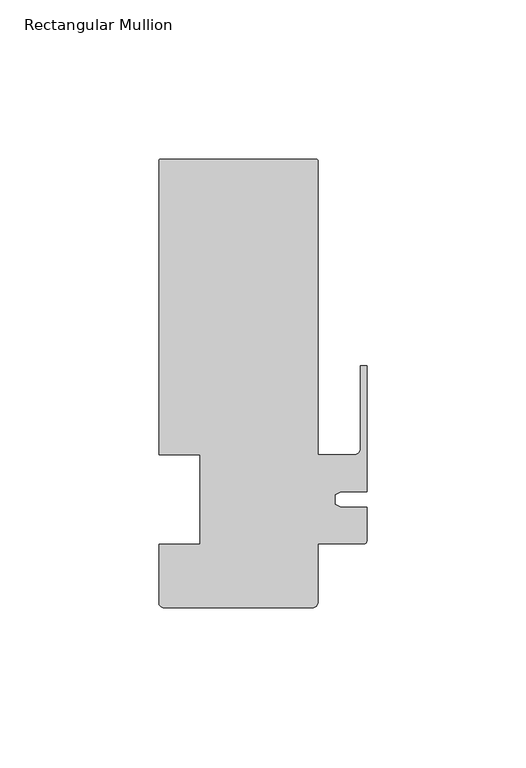
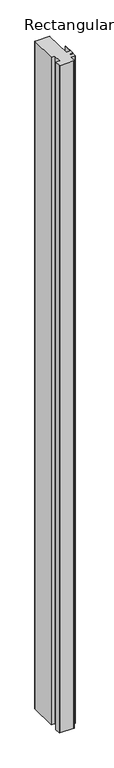
"""IFC4 building model written with IfcOpenShell, lengths in millimetres: member geometry, Rectangular Mullion."""

from ifc_helpers import new_model, si_unit, frame, origin, place, context, project, spatial, polyline, circle_curve, source, transform, mapped, element, save
from ifc_brep_helpers import plane_surface, cylinder_surface, revolved_surface, advanced_brep


def rectangular_mullion_37fddbb4(model_context):
    return source(origin(), model_context, "Body", "AdvancedBrep", [
        advanced_brep(
        [(-64.9119017, 107.000001, 0.0), (-65.4119017, 106.500001, 0.0), (-65.4119017, 14.0, 0.0), (-52.4119017, 14.0, 0.0), (-52.4119017, -14.0, 0.0), (-65.4119018, -14.0, 0.0), (-65.4119018, -32.4268412, 0.0), (-63.838744, -33.999999, 0.0), (-17.0294441, -33.999999, 0.0), (-15.4119017, -32.3824565, 0.0), (-15.4119017, -14.0, 0.0), (-1.0000001, -14.0, 0.0), (0.0, -12.9950012, 0.0), (0.0, -2.3717384, 0.0), (-8.0873177, -2.3717384, 0.0), (-9.9999999, -1.4798401, 0.0), (-9.9999999, 1.5598311, 0.0), (-8.1376447, 2.4282616, 0.0), (0.0, 2.4282616, 0.0), (0.0, 42.000001, 0.0), (-2.0000001, 42.000001, 0.0), (-2.0000001, 16.0000006, 0.0), (-4.0, 14.0000007, 0.0), (-15.4119017, 14.0, 0.0), (-15.4119017, 106.500001, 0.0), (-15.9119017, 107.000001, 0.0), (-64.9119017, 107.000001, -2352.9080722), (-15.9119017, 107.000001, -2352.9080722), (-15.4119017, 106.500001, -2352.9080722), (-15.4119017, 14.0, -2352.9080722), (-3.9999999, 14.0, -2352.9080722), (-2.0000001, 16.0000006, -2352.9080722), (-2.0000001, 42.000001, -2352.9080722), (0.0, 42.000001, -2352.9080722), (0.0, 2.4282616, -2352.9080722), (-8.1376447, 2.4282616, -2352.9080722), (-9.9999999, 1.5598311, -2352.9080722), (-9.9999999, -1.4798401, -2352.9080722), (-8.0873177, -2.3717384, -2352.9080722), (0.0, -2.3717384, -2352.9080722), (0.0, -12.9950012, -2352.9080722), (-1.0000001, -13.9950013, -2352.9080722), (-15.4119017, -14.0, -2352.9080722), (-15.4119017, -32.3824565, -2352.9080722), (-17.0294441, -33.999999, -2352.9080722), (-63.838744, -33.999999, -2352.9080722), (-65.4119018, -32.4268412, -2352.9080722), (-65.4119018, -14.0, -2352.9080722), (-52.4119017, -14.0, -2352.9080722), (-52.4119017, 14.0, -2352.9080722), (-65.4119017, 14.0, -2352.9080722), (-65.4119017, 106.500001, -2352.9080722)],
        [
            (0, 1, circle_curve(frame((-64.9119017, 106.500001, 0.0), z_axis=(0.0, 0.0, 1.0), x_axis=(-1.0, 0.0, 0.0)), 0.5)),
            (1, 2),
            (2, 3),
            (3, 4),
            (4, 5),
            (5, 6),
            (6, 7, circle_curve(frame((-63.838744, -32.4268412, 0.0), z_axis=(0.0, 0.0, 1.0), x_axis=(-1.0, 0.0, 0.0)), 1.5731578)),
            (7, 8),
            (8, 9, circle_curve(frame((-17.0294441, -32.3824565, 0.0), z_axis=(0.0, 0.0, 1.0), x_axis=(-1.0, 0.0, 0.0)), 1.6175425)),
            (9, 10),
            (10, 11),
            (11, 12, circle_curve(frame((-1.0000001, -12.9950012, 0.0), z_axis=(0.0, 0.0, 1.0), x_axis=(-1.0, 0.0, 0.0)), 1.0000001)),
            (12, 13),
            (13, 14),
            (14, 15),
            (15, 16),
            (16, 17),
            (17, 18),
            (18, 19),
            (19, 20),
            (20, 21),
            (21, 22, circle_curve(frame((-4.0, 16.0000006, 0.0), z_axis=(0.0, 0.0, -1.0), x_axis=(-1.0, 0.0, 0.0)), 1.9999999)),
            (22, 23),
            (23, 24),
            (24, 25, circle_curve(frame((-15.9119017, 106.500001, 0.0), z_axis=(0.0, 0.0, 1.0), x_axis=(-1.0, 0.0, 0.0)), 0.5)),
            (25, 0),
            (26, 27),
            (27, 28, circle_curve(frame((-15.9119017, 106.500001, -2352.9080722), z_axis=(0.0, 0.0, -1.0), x_axis=(-1.0, 0.0, 0.0)), 0.5)),
            (28, 29),
            (29, 30),
            (30, 31, circle_curve(frame((-4.0, 16.0000006, -2352.9080722), z_axis=(0.0, 0.0, 1.0), x_axis=(-1.0, 0.0, 0.0)), 1.9999999)),
            (31, 32),
            (32, 33),
            (33, 34),
            (34, 35),
            (35, 36),
            (36, 37),
            (37, 38),
            (38, 39),
            (39, 40),
            (40, 41, circle_curve(frame((-1.0000001, -12.9950012, -2352.9080722), z_axis=(0.0, 0.0, -1.0), x_axis=(-1.0, 0.0, 0.0)), 1.0000001)),
            (41, 42),
            (42, 43),
            (43, 44, circle_curve(frame((-17.0294441, -32.3824565, -2352.9080722), z_axis=(0.0, 0.0, -1.0), x_axis=(-1.0, 0.0, 0.0)), 1.6175425)),
            (44, 45),
            (45, 46, circle_curve(frame((-63.838744, -32.4268412, -2352.9080722), z_axis=(0.0, 0.0, -1.0), x_axis=(-1.0, 0.0, 0.0)), 1.5731578)),
            (46, 47),
            (47, 48),
            (48, 49),
            (49, 50),
            (50, 51),
            (51, 26, circle_curve(frame((-64.9119017, 106.500001, -2352.9080722), z_axis=(0.0, 0.0, -1.0), x_axis=(-1.0, 0.0, 0.0)), 0.5)),
            (0, 26),
            (51, 1),
            (50, 2),
            (49, 3),
            (48, 4),
            (47, 5),
            (46, 6),
            (45, 7),
            (44, 8),
            (43, 9),
            (42, 10),
            (41, 11),
            (40, 12),
            (39, 13),
            (38, 14),
            (37, 15),
            (36, 16),
            (35, 17),
            (34, 18),
            (33, 19),
            (32, 20),
            (31, 21),
            (30, 22),
            (29, 23),
            (28, 24),
            (27, 25),
        ],
        [
            plane_surface(frame((0.0, -125.2088723, 0.0), z_axis=(0.0, 0.0, 1.0), x_axis=(-1.0, 0.0, 0.0))),
            plane_surface(frame((0.0, -125.2088723, -2352.9080722), z_axis=(0.0, 0.0, -1.0), x_axis=(-1.0, 0.0, 0.0))),
            cylinder_surface(frame((-64.9119017, 106.500001, 0.0), z_axis=(0.0, 0.0, 1.0), x_axis=(-1.0, 0.0, 0.0)), 0.5),
            plane_surface(frame((-65.4119017, 106.500001, 0.0), z_axis=(-1.0, 0.0, 0.0), x_axis=(0.0, 0.0, -1.0))),
            plane_surface(frame((-65.4119017, 14.0, 0.0), z_axis=(0.0, -1.0, 0.0), x_axis=(0.0, 0.0, -1.0))),
            plane_surface(frame((-52.4119017, 14.0, 0.0), z_axis=(-1.0, 0.0, 0.0), x_axis=(0.0, 0.0, -1.0))),
            plane_surface(frame((-52.4119017, -14.0, 0.0), z_axis=(0.0, 1.0, 0.0), x_axis=(0.0, 0.0, -1.0))),
            plane_surface(frame((-65.4119018, -14.0, 0.0), z_axis=(-1.0, 0.0, 0.0), x_axis=(0.0, 0.0, -1.0))),
            cylinder_surface(frame((-63.838744, -32.4268412, 0.0), z_axis=(0.0, 0.0, 1.0), x_axis=(-1.0, 0.0, 0.0)), 1.5731578),
            plane_surface(frame((-63.838744, -33.999999, 0.0), z_axis=(0.0, -1.0, 0.0), x_axis=(0.0, 0.0, -1.0))),
            cylinder_surface(frame((-17.0294441, -32.3824565, 0.0), z_axis=(0.0, 0.0, 1.0), x_axis=(-1.0, 0.0, 0.0)), 1.6175425),
            plane_surface(frame((-15.4119017, -32.3824565, 0.0), z_axis=(1.0, 0.0, 0.0), x_axis=(0.0, 0.0, -1.0))),
            plane_surface(frame((-15.4119017, -14.0, 0.0), z_axis=(0.0, -1.0, 0.0), x_axis=(0.0, 0.0, -1.0))),
            cylinder_surface(frame((-1.0000001, -12.9950012, 0.0), z_axis=(0.0, 0.0, 1.0), x_axis=(-1.0, 0.0, 0.0)), 1.0000001),
            plane_surface(frame((0.0, -12.9950012, 0.0), z_axis=(1.0, 0.0, 0.0), x_axis=(0.0, 0.0, -1.0))),
            plane_surface(frame((0.0, -2.3717384, 0.0), z_axis=(0.0, 1.0, 0.0), x_axis=(0.0, 0.0, -1.0))),
            plane_surface(frame((-8.0873177, -2.3717384, 0.0), z_axis=(0.42261826174182476, 0.9063077870361252, 0.0), x_axis=(0.0, 0.0, -1.0))),
            plane_surface(frame((-9.9999999, -1.4798401, 0.0), z_axis=(1.0, 0.0, 0.0), x_axis=(0.0, 0.0, -1.0))),
            plane_surface(frame((-9.9999999, 1.5598311, 0.0), z_axis=(0.4226182617404111, -0.9063077870367845, 0.0), x_axis=(0.0, 0.0, -1.0))),
            plane_surface(frame((-8.1376447, 2.4282616, 0.0), z_axis=(0.0, -1.0, 0.0), x_axis=(0.0, 0.0, -1.0))),
            plane_surface(frame((0.0, 2.4282616, 0.0), z_axis=(1.0, 0.0, 0.0), x_axis=(0.0, 0.0, -1.0))),
            plane_surface(frame((0.0, 42.000001, 0.0), z_axis=(0.0, 1.0, 0.0), x_axis=(0.0, 0.0, -1.0))),
            plane_surface(frame((-2.0000001, 42.000001, 0.0), z_axis=(-1.0, 0.0, 0.0), x_axis=(0.0, 0.0, -1.0))),
            revolved_surface(polyline([(-5.9999999, 16.0000006, -2352.9080722), (-5.9999999, 16.0000006, 0.0)]), (-4.0, 16.0000006, 0.0), (0.0, 0.0, -1.0)),
            plane_surface(frame((-3.9999999, 14.0, 0.0), z_axis=(0.0, 1.0, 0.0), x_axis=(0.0, 0.0, -1.0))),
            plane_surface(frame((-15.4119017, 14.0, 0.0), z_axis=(1.0, 0.0, 0.0), x_axis=(0.0, 0.0, -1.0))),
            cylinder_surface(frame((-15.9119017, 106.500001, 0.0), z_axis=(0.0, 0.0, 1.0), x_axis=(-1.0, 0.0, 0.0)), 0.5),
            plane_surface(frame((-15.9119017, 107.000001, 0.0), z_axis=(0.0, 1.0, 0.0), x_axis=(0.0, 0.0, -1.0))),
        ],
        [
            (0, [[1, 2, 3, 4, 5, 6, 7, 8, 9, 10, 11, 12, 13, 14, 15, 16, 17, 18, 19, 20, 21, 22, 23, 24, 25, 26]]),
            (1, [[27, 28, 29, 30, 31, 32, 33, 34, 35, 36, 37, 38, 39, 40, 41, 42, 43, 44, 45, 46, 47, 48, 49, 50, 51, 52]]),
            (2, [[-1, 53, -52, 54]]),
            (3, [[-2, -54, -51, 55]]),
            (4, [[-3, -55, -50, 56]]),
            (5, [[-4, -56, -49, 57]]),
            (6, [[-5, -57, -48, 58]]),
            (7, [[-6, -58, -47, 59]]),
            (8, [[-7, -59, -46, 60]]),
            (9, [[-8, -60, -45, 61]]),
            (10, [[-9, -61, -44, 62]]),
            (11, [[-10, -62, -43, 63]]),
            (12, [[-11, -63, -42, 64]]),
            (13, [[-12, -64, -41, 65]]),
            (14, [[-13, -65, -40, 66]]),
            (15, [[-14, -66, -39, 67]]),
            (16, [[-15, -67, -38, 68]]),
            (17, [[-16, -68, -37, 69]]),
            (18, [[-17, -69, -36, 70]]),
            (19, [[-18, -70, -35, 71]]),
            (20, [[-19, -71, -34, 72]]),
            (21, [[-20, -72, -33, 73]]),
            (22, [[-21, -73, -32, 74]]),
            (23, [[-22, -74, -31, 75]]),
            (24, [[-23, -75, -30, 76]]),
            (25, [[-24, -76, -29, 77]]),
            (26, [[-25, -77, -28, 78]]),
            (27, [[-26, -78, -27, -53]]),
        ],
    ),
    ])


if __name__ == "__main__":
    model = new_model("IFC4")
    model_context = context("Model", 3, world=origin())
    ifc_project = project(units=[si_unit("LENGTHUNIT", "METRE", prefix="MILLI")], contexts=[model_context])
    site = spatial("IfcSite", under=ifc_project)
    building = spatial("IfcBuilding", under=site)
    placement = place(None, origin())
    rectangular_mullion_shape = rectangular_mullion_37fddbb4(model_context)
    element("IfcMember", 1, ObjectType="Rectangular Mullion", at=placement, inside=building, context=model_context, shape_type="MappedRepresentation", body=[
        mapped(rectangular_mullion_shape, transform((0.0, 0.0, 0.0), x_axis=(1.0, 0.0, 0.0), y_axis=(0.0, 1.0, 0.0), z_axis=(0.0, 0.0, 1.0))),
    ])
    save(model, "model.ifc")
